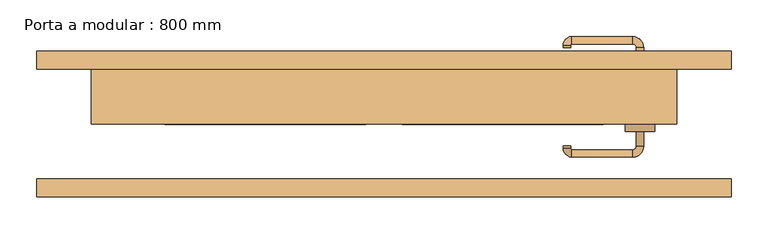
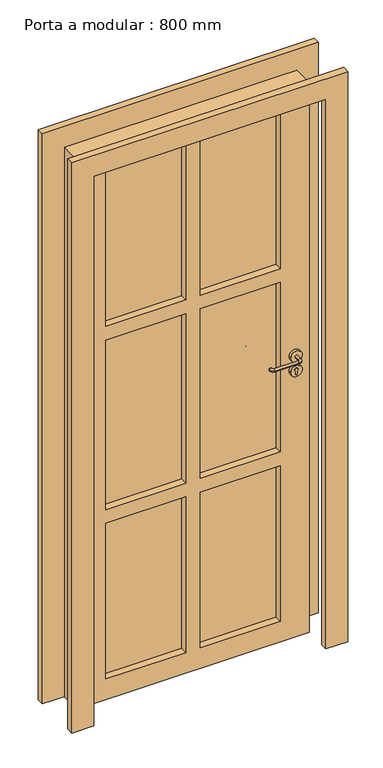
"""IFC4 building model written with IfcOpenShell, lengths in millimetres: door geometry, Porta a modular : 800 mm."""

import ifcopenshell
import ifcopenshell.guid

model = None  # the IFC model being written
_history = None  # IfcOwnerHistory: only IFC2X3 demands one
_inside = {}  # id of a spatial element -> (the spatial element, [elements in it])
_under = {}  # id of a project, library or spatial element -> (it, [spatial elements below it])
_declared = {}  # id of a project -> (the project, [libraries it declares])
_typed = {}  # id of a type object -> (the type object, [elements of that type])
_made_of = {}  # id of a material, layer set ... -> (it, [elements and type objects made of it])


def new_model(schema):
    """Start an empty IFC model of exactly this schema.

    Asked for "IFC4X3", IfcOpenShell would pick the latest addendum, in which some entities
    have other attributes; the version numbers below select the first issue.
    IFC2X3 requires an IfcOwnerHistory on every rooted entity: one is made here for all.
    """
    global model, _history
    if schema == "IFC4X3":
        model = ifcopenshell.file(schema_version=(4, 3, 0, 0))
    else:
        model = ifcopenshell.file(schema=schema)
    _inside.clear()
    _under.clear()
    _declared.clear()
    _typed.clear()
    _made_of.clear()
    _history = None
    if model.schema == "IFC2X3":
        org = make("IfcOrganization", Name="unknown")
        user = make(
            "IfcPersonAndOrganization",
            ThePerson=make("IfcPerson", FamilyName="unknown"),
            TheOrganization=org,
        )
        app = make(
            "IfcApplication",
            ApplicationDeveloper=org,
            Version="unknown",
            ApplicationFullName="unknown",
            ApplicationIdentifier="unknown",
        )
        _history = make(
            "IfcOwnerHistory",
            OwningUser=user,
            OwningApplication=app,
            ChangeAction="ADDED",
            CreationDate=0,
        )
    return model


def make(cls, **values):
    """One entity of the class cls with the attributes given. An attribute that is None is left unset."""
    return model.create_entity(
        cls, **{name: value for name, value in values.items() if value is not None}
    )


def rooted(cls, **values):
    """An entity with a GlobalId (a new one), such as an element, a storey or a relation."""
    return make(cls, GlobalId=ifcopenshell.guid.new(), OwnerHistory=_history, **values)


def si_unit(unit_type, name, prefix=None):
    """IfcSIUnit, for example si_unit("LENGTHUNIT", "METRE", prefix="MILLI")."""
    return make("IfcSIUnit", UnitType=unit_type, Prefix=prefix, Name=name)


def assignment(units):
    """IfcUnitAssignment: the units of a project."""
    return None if units is None else make("IfcUnitAssignment", Units=units)


def point(xyz):
    """IfcCartesianPoint."""
    return None if xyz is None else make("IfcCartesianPoint", Coordinates=xyz)


def direction(xyz):
    """IfcDirection."""
    return None if xyz is None else make("IfcDirection", DirectionRatios=xyz)


def frame(location, z_axis=None, x_axis=None):
    """IfcAxis2Placement3D, a coordinate frame: its origin and axes. An axis left out is left unset."""
    return make(
        "IfcAxis2Placement3D",
        Location=point(location),
        Axis=direction(z_axis),
        RefDirection=direction(x_axis),
    )


def frame_2d(location, x_axis=None):
    """IfcAxis2Placement2D, a coordinate frame in the plane: its origin and x axis."""
    return make(
        "IfcAxis2Placement2D", Location=point(location), RefDirection=direction(x_axis)
    )


def origin():
    """The frame at (0, 0, 0) with its axes left unset."""
    return frame((0.0, 0.0, 0.0))


def origin_with_axes():
    """The frame at (0, 0, 0) with the z axis (0, 0, 1) and the x axis (1, 0, 0) written out."""
    return frame((0.0, 0.0, 0.0), z_axis=(0.0, 0.0, 1.0), x_axis=(1.0, 0.0, 0.0))


def place(relative_to, where):
    """IfcLocalPlacement: puts the frame where relative to a parent placement (None: the world)."""
    return make(
        "IfcLocalPlacement", PlacementRelTo=relative_to, RelativePlacement=where
    )


def context(
    kind, dimensions, precision=None, world=None, true_north=None, identifier=None
):
    """IfcGeometricRepresentationContext, for example the 3D "Model" context."""
    return make(
        "IfcGeometricRepresentationContext",
        ContextIdentifier=identifier,
        ContextType=kind,
        CoordinateSpaceDimension=dimensions,
        Precision=precision,
        WorldCoordinateSystem=world,
        TrueNorth=true_north,
    )


def project(units=None, contexts=None):
    """IfcProject with its units and contexts."""
    return rooted(
        "IfcProject",
        Name="project",
        RepresentationContexts=contexts,
        UnitsInContext=assignment(units),
    )


def spatial(cls, under=None, at=None, **own):
    """A site, building, storey or space (cls), placed at a placement, below another one or the project."""
    s = rooted(cls, ObjectPlacement=at, **own)
    if under is not None:
        _under.setdefault(under.id(), (under, []))[1].append(s)
    return s


def polyline(points):
    """IfcPolyline through the points."""
    return make("IfcPolyline", Points=[point(p) for p in points])


def circle_curve(where, radius):
    """IfcCircle in the frame where."""
    return make("IfcCircle", Position=where, Radius=radius)


def ellipse_curve(where, semi_axis1, semi_axis2):
    """IfcEllipse in the frame where."""
    return make(
        "IfcEllipse", Position=where, SemiAxis1=semi_axis1, SemiAxis2=semi_axis2
    )


def trimmed(basis, trim1, trim2, sense, master):
    """IfcTrimmedCurve: the piece of a basis curve between two trims."""
    return make(
        "IfcTrimmedCurve",
        BasisCurve=basis,
        Trim1=trim1,
        Trim2=trim2,
        SenseAgreement=sense,
        MasterRepresentation=master,
    )


def segment(curve, same_sense, transition):
    """IfcCompositeCurveSegment."""
    return make(
        "IfcCompositeCurveSegment",
        Transition=transition,
        SameSense=same_sense,
        ParentCurve=curve,
    )


def composite_curve(segments, self_intersect=None):
    """IfcCompositeCurve: segments joined end to end."""
    return make("IfcCompositeCurve", Segments=segments, SelfIntersect=self_intersect)


def outline(outer, holes=None, kind="AREA"):
    """IfcArbitraryClosedProfileDef: a profile drawn as a closed curve; with holes, ...WithVoids."""
    if holes is None:
        return make("IfcArbitraryClosedProfileDef", ProfileType=kind, OuterCurve=outer)
    return make(
        "IfcArbitraryProfileDefWithVoids",
        ProfileType=kind,
        OuterCurve=outer,
        InnerCurves=holes,
    )


def extrude(swept, where, along, depth):
    """IfcExtrudedAreaSolid: the profile swept, set in the frame where, extruded along a direction by depth."""
    return make(
        "IfcExtrudedAreaSolid",
        SweptArea=swept,
        Position=where,
        ExtrudedDirection=direction(along),
        Depth=depth,
    )


def shape(context_of_items, identifier, shape_type, items):
    """IfcShapeRepresentation: the items that make up one representation, for example the "Body"."""
    return make(
        "IfcShapeRepresentation",
        ContextOfItems=context_of_items,
        RepresentationIdentifier=identifier,
        RepresentationType=shape_type,
        Items=items,
    )


def source(mapping_origin, context_of_items, identifier, shape_type, items):
    """IfcRepresentationMap: a shape defined once, which mapped items show again and again."""
    return make(
        "IfcRepresentationMap",
        MappingOrigin=mapping_origin,
        MappedRepresentation=shape(context_of_items, identifier, shape_type, items),
    )


def transform(
    local_origin,
    x_axis=None,
    y_axis=None,
    z_axis=None,
    scale=None,
    scale2=None,
    scale3=None,
    uniform=True,
):
    """IfcCartesianTransformationOperator3D, or its non-uniform kind. x_axis, y_axis, z_axis: its Axis1, 2, 3."""
    if uniform:
        return make(
            "IfcCartesianTransformationOperator3D",
            Axis1=direction(x_axis),
            Axis2=direction(y_axis),
            LocalOrigin=point(local_origin),
            Scale=scale,
            Axis3=direction(z_axis),
        )
    return make(
        "IfcCartesianTransformationOperator3DnonUniform",
        Axis1=direction(x_axis),
        Axis2=direction(y_axis),
        LocalOrigin=point(local_origin),
        Scale=scale,
        Axis3=direction(z_axis),
        Scale2=scale2,
        Scale3=scale3,
    )


def mapped(mapping_source, mapping_target):
    """IfcMappedItem: shows the shape of a source again, moved by a transform."""
    return make(
        "IfcMappedItem", MappingSource=mapping_source, MappingTarget=mapping_target
    )


def made_of(thing, what):
    """Note that an element or type object is made of a material, layer set ...; save() writes the relation."""
    if what is not None:
        _made_of.setdefault(what.id(), (what, []))[1].append(thing)
    return thing


def element(
    cls,
    number,
    at=None,
    inside=None,
    cuts=None,
    type_object=None,
    material=None,
    context=None,
    identifier="Body",
    shape_type=None,
    held_by="IfcProductDefinitionShape",
    body=None,
    shapes=None,
    **own,
):
    """One element of the class cls, such as IfcWall. Its Tag is "e" and its number.

    at: its placement. inside: the storey or other place that contains it. cuts: it is an
    opening in that element (IfcRelVoidsElement). A single representation is given by context,
    identifier, shape_type and body (its items); several are given by shapes. held_by: the class
    of the entity that holds the representations. save() writes the other relations.
    """
    e = rooted(cls, Tag="e%d" % number, ObjectPlacement=at, **own)
    if body is not None:
        shapes = [shape(context, identifier, shape_type, body)]
    if shapes is not None:
        e.Representation = make(held_by, Representations=shapes)
    if inside is not None:
        _inside.setdefault(inside.id(), (inside, []))[1].append(e)
    if cuts is not None:
        rooted(
            "IfcRelVoidsElement", RelatingBuildingElement=cuts, RelatedOpeningElement=e
        )
    if type_object is not None:
        _typed.setdefault(type_object.id(), (type_object, []))[1].append(e)
    return made_of(e, material)


def aggregate(whole, parts):
    """IfcRelAggregates: a whole, such as a stair, and the parts it consists of."""
    return rooted("IfcRelAggregates", RelatingObject=whole, RelatedObjects=parts)


def save(model, path):
    """Write the relations noted so far, then the file.

    IfcRelAggregates (storeys below a building ...), IfcRelContainedInSpatialStructure (elements
    in a storey), IfcRelDefinesByType, IfcRelAssociatesMaterial and IfcRelDeclares: one each for
    every whole, place, type object, material and project.
    """
    for whole, parts in _under.values():
        aggregate(whole, parts)
    for where, things in _inside.values():
        rooted(
            "IfcRelContainedInSpatialStructure",
            RelatedElements=things,
            RelatingStructure=where,
        )
    for kind, things in _typed.values():
        rooted("IfcRelDefinesByType", RelatedObjects=things, RelatingType=kind)
    for what, things in _made_of.values():
        rooted("IfcRelAssociatesMaterial", RelatedObjects=things, RelatingMaterial=what)
    for by, libraries in _declared.values():
        rooted("IfcRelDeclares", RelatingContext=by, RelatedDefinitions=libraries)
    model.write(path)


def plane_surface(at):
    """IfcPlane: the flat surface through the origin of the frame at, square to its z axis."""
    return make("IfcPlane", Position=at)


def cylinder_surface(at, radius):
    """IfcCylindricalSurface: all points at the distance radius from the z axis of the frame at."""
    return make("IfcCylindricalSurface", Position=at, Radius=radius)


def revolved_surface(curve, axis_point, axis_direction):
    """IfcSurfaceOfRevolution: the curve turned about the line through axis_point along axis_direction."""
    return make(
        "IfcSurfaceOfRevolution",
        SweptCurve=make("IfcArbitraryOpenProfileDef", ProfileType="CURVE", Curve=curve),
        AxisPosition=make("IfcAxis1Placement", Location=point(axis_point), Axis=direction(axis_direction)),
    )


def advanced_brep(points, edges, surfaces, faces):
    """IfcAdvancedBrep: a solid bounded by faces that lie on surfaces and meet in shared edges.

    An edge is (start, end): straight between two places in points (the first is 0);
    or (start, end, curve); or (start, end, curve, False) where it runs against its curve.
    A face is (place in surfaces, loops), or (place, loops, False) where it looks against
    its surface's normal. A loop lists edges by number (the first is 1), with a minus sign
    where the edge is run from its end to its start. The first loop is the outer one.
    """
    corners = [point(p) for p in points]
    vertices = [make("IfcVertexPoint", VertexGeometry=c) for c in corners]
    made = []
    for start, end, *more in edges:
        made.append(
            make(
                "IfcEdgeCurve",
                EdgeStart=vertices[start],
                EdgeEnd=vertices[end],
                EdgeGeometry=more[0] if more else make("IfcPolyline", Points=[corners[start], corners[end]]),
                SameSense=more[1] if len(more) > 1 else True,
            )
        )
    hull = []
    for where, loops, *sense in faces:
        bounds = []
        for j, loop in enumerate(loops):
            ring = [make("IfcOrientedEdge", EdgeElement=made[abs(k) - 1], Orientation=k > 0) for k in loop]
            bounds.append(
                make(
                    "IfcFaceOuterBound" if j == 0 else "IfcFaceBound",
                    Bound=make("IfcEdgeLoop", EdgeList=ring),
                    Orientation=True,
                )
            )
        hull.append(make("IfcAdvancedFace", Bounds=bounds, FaceSurface=surfaces[where], SameSense=sense[0] if sense else True))
    return make("IfcAdvancedBrep", Outer=make("IfcClosedShell", CfsFaces=hull))


def porta_a_modular_800_mm_48b54fc1(model_context):
    return source(origin(), model_context, "Body", "SolidModel", [
        extrude(outline(composite_curve([segment(polyline([(962.8763376, 352.3084346), (974.135018, 352.3084346)]), True, "CONTINUOUS"), segment(trimmed(circle_curve(frame_2d((979.4570568, 350.0)), 5.8011178), [point((974.135018, 352.3084346))], [point((974.135018, 347.6915654))], False, "CARTESIAN"), True, "CONTINUOUS"), segment(polyline([(974.135018, 347.6915654), (962.8763376, 347.6915654)]), True, "CONTINUOUS"), segment(trimmed(circle_curve(frame_2d((962.8763376, 350.0056608)), 2.3140954), [point((962.8763376, 347.6915654))], [point((960.5622491, 350.0))], False, "CARTESIAN"), True, "CONTINUOUS"), segment(trimmed(circle_curve(frame_2d((962.8763376, 349.9943392)), 2.3140954), [point((960.5622491, 350.0))], [point((962.8763376, 352.3084346))], False, "CARTESIAN"), True, "CONTINUOUS")], self_intersect=False)), frame((0.0, -10.0, 0.0), z_axis=(0.0, 1.0, 0.0), x_axis=(0.0, 0.0, 1.0)), (0.0, 0.0, 1.0), 5.0),
        extrude(outline(composite_curve([segment(trimmed(circle_curve(frame_2d((974.8079154, 350.0)), 20.0), [point((974.8079154, 370.0))], [point((974.8079154, 330.0))], False, "CARTESIAN"), True, "CONTINUOUS"), segment(trimmed(circle_curve(frame_2d((974.8079154, 350.0)), 20.0), [point((974.8079154, 330.0))], [point((974.8079154, 370.0))], False, "CARTESIAN"), True, "CONTINUOUS")], self_intersect=False)), frame((0.0, -10.0, 0.0), z_axis=(0.0, 1.0, 0.0), x_axis=(0.0, 0.0, 1.0)), (0.0, 0.0, 1.0), 10.0),
        advanced_brep(
        [(355.0, -5.0, 1027.5), (345.0, -5.0, 1027.5), (355.0, -30.0, 1027.5), (345.0, -30.0, 1027.5), (340.0, -45.0, 1027.5), (340.0, -35.0, 1027.5), (245.0, -30.0, 1027.5), (255.0, -30.0, 1027.5), (257.0175282, -45.0, 1027.5), (257.0175282, -35.0, 1027.5), (245.0, -32.9824718, 1027.5), (255.0, -32.9824718, 1027.5)],
        [
            (0, 1, circle_curve(frame((350.0, -5.0, 1027.5), z_axis=(0.0, 1.0, 0.0), x_axis=(-1.0000000000000004, 0.0, 0.0)), 5.0)),
            (1, 0, circle_curve(frame((350.0, -5.0, 1027.5), z_axis=(0.0, 1.0, 0.0), x_axis=(-1.0000000000000004, 0.0, 0.0)), 5.0)),
            (0, 2),
            (2, 3, circle_curve(frame((350.0, -30.0, 1027.5), z_axis=(0.0, 1.0, 0.0), x_axis=(-1.0000000000000004, 0.0, 0.0)), 5.0)),
            (3, 1),
            (3, 2, circle_curve(frame((350.0, -30.0, 1027.5), z_axis=(0.0, 1.0, 0.0), x_axis=(-1.0000000000000004, 0.0, 0.0)), 5.0)),
            (4, 5, circle_curve(frame((340.0, -40.0, 1027.5), z_axis=(1.0000000000000004, 0.0, 0.0), x_axis=(0.0, 1.0000000000000004, 0.0)), 5.0)),
            (5, 3, circle_curve(frame((340.0, -30.0, 1027.5), z_axis=(0.0, 0.0, 1.0), x_axis=(1.0000000000000004, 0.0, 0.0)), 5.0)),
            (2, 4, circle_curve(frame((340.0, -30.0, 1027.5), z_axis=(0.0, 0.0, -1.0), x_axis=(1.0000000000000004, 0.0, 0.0)), 15.0)),
            (5, 4, circle_curve(frame((340.0, -40.0, 1027.5), z_axis=(1.0000000000000004, 0.0, 0.0), x_axis=(0.0, 1.0000000000000004, 0.0)), 5.0)),
            (6, 7, circle_curve(frame((250.0, -30.0, 1027.5), z_axis=(0.0, 1.0, 0.0), x_axis=(1.0000000000000004, 0.0, 0.0)), 5.0)),
            (7, 6, circle_curve(frame((250.0, -30.0, 1027.5), z_axis=(0.0, 1.0, 0.0), x_axis=(1.0000000000000004, 0.0, 0.0)), 5.0)),
            (4, 8),
            (8, 9, circle_curve(frame((257.0175282, -40.0, 1027.5), z_axis=(1.0, 0.0, 0.0), x_axis=(0.0, 1.0000000000000004, 0.0)), 5.0)),
            (9, 5),
            (9, 8, circle_curve(frame((257.0175282, -40.0, 1027.5), z_axis=(1.0, 0.0, 0.0), x_axis=(0.0, 1.0000000000000004, 0.0)), 5.0)),
            (10, 11, circle_curve(frame((250.0, -32.9824718, 1027.5), z_axis=(0.0, -1.0000000000000004, 0.0), x_axis=(1.0000000000000004, 0.0, 0.0)), 5.0)),
            (11, 9, circle_curve(frame((257.0175282, -32.9824718, 1027.5), z_axis=(0.0, 0.0, 1.0), x_axis=(0.0, -1.0000000000000004, 0.0)), 2.0175282)),
            (8, 10, circle_curve(frame((257.0175282, -32.9824718, 1027.5), z_axis=(0.0, 0.0, -1.0), x_axis=(0.0, -1.0000000000000004, 0.0)), 12.0175282)),
            (11, 10, circle_curve(frame((250.0, -32.9824718, 1027.5), z_axis=(0.0, -1.0000000000000004, 0.0), x_axis=(1.0000000000000004, 0.0, 0.0)), 5.0)),
            (10, 6),
            (7, 11),
        ],
        [
            plane_surface(frame((350.0, -5.0, 127.5), z_axis=(0.0, 1.0, 0.0), x_axis=(0.0, 0.0, 1.0))),
            cylinder_surface(frame((350.0, -5.0, 1027.5), z_axis=(0.0, 1.0000000000000004, 0.0), x_axis=(-1.0000000000000004, 0.0, 0.0)), 5.0),
            revolved_surface(trimmed(ellipse_curve(frame((350.0, -30.0, 1027.5), z_axis=(0.0, -1.0000000000000004, 0.0), x_axis=(-1.0000000000000004, 0.0, 0.0)), 5.0, 5.0), [point((345.0, -30.0, 1027.5))], [point((355.0, -30.0, 1027.5))], True, "CARTESIAN"), (340.0, -30.0, 127.5), (0.0, 0.0, 1.0)),
            revolved_surface(trimmed(ellipse_curve(frame((350.0, -30.0, 1027.5), z_axis=(0.0, -1.0000000000000004, 0.0), x_axis=(-1.0000000000000004, 0.0, 0.0)), 5.0, 5.0), [point((355.0, -30.0, 1027.5))], [point((345.0, -30.0, 1027.5))], True, "CARTESIAN"), (340.0, -30.0, 127.5), (0.0, 0.0, 1.0)),
            plane_surface(frame((250.0, -30.0, 127.5), z_axis=(0.0, 1.0, 0.0), x_axis=(0.0, 0.0, 1.0))),
            cylinder_surface(frame((340.0, -40.0, 1027.5), z_axis=(1.0000000000000004, 0.0, 0.0), x_axis=(0.0, 1.0000000000000004, 0.0)), 5.0),
            revolved_surface(trimmed(ellipse_curve(frame((257.0175282, -40.0, 1027.5), z_axis=(-1.0000000000000004, 0.0, 0.0), x_axis=(0.0, 1.0000000000000004, 0.0)), 5.0, 5.0), [point((257.0175282, -35.0, 1027.5))], [point((257.0175282, -45.0, 1027.5))], True, "CARTESIAN"), (257.0175282, -32.9824718, 127.5), (0.0, 0.0, 1.0)),
            revolved_surface(trimmed(ellipse_curve(frame((257.0175282, -40.0, 1027.5), z_axis=(-1.0000000000000004, 0.0, 0.0), x_axis=(0.0, 1.0000000000000004, 0.0)), 5.0, 5.0), [point((257.0175282, -45.0, 1027.5))], [point((257.0175282, -35.0, 1027.5))], True, "CARTESIAN"), (257.0175282, -32.9824718, 127.5), (0.0, 0.0, 1.0)),
            cylinder_surface(frame((250.0, -32.9824718, 1027.5), z_axis=(0.0, -1.0000000000000004, 0.0), x_axis=(1.0000000000000004, 0.0, 0.0)), 5.0),
        ],
        [
            (0, [[1, 2]]),
            (1, [[3, 4, 5, -1]]),
            (1, [[-5, 6, -3, -2]]),
            (2, [[7, 8, -4, 9]]),
            (3, [[10, -9, -6, -8]]),
            (4, [[11, 12]]),
            (5, [[13, 14, 15, -7]]),
            (5, [[-15, 16, -13, -10]]),
            (6, [[17, 18, -14, 19]]),
            (7, [[20, -19, -16, -18]]),
            (8, [[21, -12, 22, -17]]),
            (8, [[-22, -11, -21, -20]]),
        ],
    ),
        extrude(outline(composite_curve([segment(trimmed(circle_curve(frame_2d((1027.5, 350.0)), 20.0), [point((1027.5, 370.0))], [point((1027.5, 330.0))], False, "CARTESIAN"), True, "CONTINUOUS"), segment(trimmed(circle_curve(frame_2d((1027.5, 350.0)), 20.0), [point((1027.5, 330.0))], [point((1027.5, 370.0))], False, "CARTESIAN"), True, "CONTINUOUS")], self_intersect=False)), frame((0.0, -10.0, 0.0), z_axis=(0.0, 1.0, 0.0), x_axis=(0.0, 0.0, 1.0)), (0.0, 0.0, 1.0), 10.0),
        extrude(outline(composite_curve([segment(polyline([(962.8763376, 352.3084346), (974.135018, 352.3084346)]), True, "CONTINUOUS"), segment(trimmed(circle_curve(frame_2d((979.4570568, 350.0)), 5.8011178), [point((974.135018, 352.3084346))], [point((974.135018, 347.6915654))], False, "CARTESIAN"), True, "CONTINUOUS"), segment(polyline([(974.135018, 347.6915654), (962.8763376, 347.6915654)]), True, "CONTINUOUS"), segment(trimmed(circle_curve(frame_2d((962.8763376, 350.0056608)), 2.3140954), [point((962.8763376, 347.6915654))], [point((960.5622491, 350.0))], False, "CARTESIAN"), True, "CONTINUOUS"), segment(trimmed(circle_curve(frame_2d((962.8763376, 349.9943392)), 2.3140954), [point((960.5622491, 350.0))], [point((962.8763376, 352.3084346))], False, "CARTESIAN"), True, "CONTINUOUS")], self_intersect=False)), frame((0.0, 80.0, 0.0), z_axis=(0.0, 1.0, 0.0), x_axis=(0.0, 0.0, 1.0)), (0.0, 0.0, 1.0), 5.0),
        extrude(outline(composite_curve([segment(trimmed(circle_curve(frame_2d((974.8079154, 350.0)), 20.0), [point((974.8079154, 370.0))], [point((974.8079154, 330.0))], False, "CARTESIAN"), True, "CONTINUOUS"), segment(trimmed(circle_curve(frame_2d((974.8079154, 350.0)), 20.0), [point((974.8079154, 330.0))], [point((974.8079154, 370.0))], False, "CARTESIAN"), True, "CONTINUOUS")], self_intersect=False)), frame((0.0, 75.0, 0.0), z_axis=(0.0, 1.0, 0.0), x_axis=(0.0, 0.0, 1.0)), (0.0, 0.0, 1.0), 10.0),
        advanced_brep(
        [(355.0, 80.0, 1027.5), (345.0, 80.0, 1027.5), (345.0, 105.0, 1027.5), (355.0, 105.0, 1027.5), (340.0, 120.0, 1027.5), (340.0, 110.0, 1027.5), (245.0, 105.0, 1027.5), (255.0, 105.0, 1027.5), (257.0175282, 110.0, 1027.5), (257.0175282, 120.0, 1027.5), (245.0, 107.9824718, 1027.5), (255.0, 107.9824718, 1027.5)],
        [
            (0, 1, circle_curve(frame((350.0, 80.0, 1027.5), z_axis=(0.0, -1.0, 0.0), x_axis=(-1.0000000000000004, 0.0, 0.0)), 5.0)),
            (1, 0, circle_curve(frame((350.0, 80.0, 1027.5), z_axis=(0.0, -1.0, 0.0), x_axis=(-1.0000000000000004, 0.0, 0.0)), 5.0)),
            (1, 2),
            (2, 3, circle_curve(frame((350.0, 105.0, 1027.5), z_axis=(0.0, -1.0, 0.0), x_axis=(-1.0000000000000004, 0.0, 0.0)), 5.0)),
            (3, 0),
            (3, 2, circle_curve(frame((350.0, 105.0, 1027.5), z_axis=(0.0, -1.0, 0.0), x_axis=(-1.0000000000000004, 0.0, 0.0)), 5.0)),
            (4, 3, circle_curve(frame((340.0, 105.0, 1027.5), z_axis=(0.0, 0.0, -1.0), x_axis=(1.0000000000000004, 0.0, 0.0)), 15.0)),
            (2, 5, circle_curve(frame((340.0, 105.0, 1027.5), z_axis=(0.0, 0.0, 1.0), x_axis=(1.0000000000000004, 0.0, 0.0)), 5.0)),
            (5, 4, circle_curve(frame((340.0, 115.0, 1027.5), z_axis=(1.0000000000000004, 0.0, 0.0), x_axis=(0.0, -1.0000000000000004, 0.0)), 5.0)),
            (4, 5, circle_curve(frame((340.0, 115.0, 1027.5), z_axis=(1.0000000000000004, 0.0, 0.0), x_axis=(0.0, -1.0000000000000004, 0.0)), 5.0)),
            (6, 7, circle_curve(frame((250.0, 105.0, 1027.5), z_axis=(0.0, -1.0, 0.0), x_axis=(1.0000000000000004, 0.0, 0.0)), 5.0)),
            (7, 6, circle_curve(frame((250.0, 105.0, 1027.5), z_axis=(0.0, -1.0, 0.0), x_axis=(1.0000000000000004, 0.0, 0.0)), 5.0)),
            (5, 8),
            (8, 9, circle_curve(frame((257.0175282, 115.0, 1027.5), z_axis=(1.0, 0.0, 0.0), x_axis=(0.0, -1.0000000000000004, 0.0)), 5.0)),
            (9, 4),
            (9, 8, circle_curve(frame((257.0175282, 115.0, 1027.5), z_axis=(1.0, 0.0, 0.0), x_axis=(0.0, -1.0000000000000004, 0.0)), 5.0)),
            (10, 9, circle_curve(frame((257.0175282, 107.9824718, 1027.5), z_axis=(0.0, 0.0, -1.0), x_axis=(0.0, 1.0000000000000004, 0.0)), 12.0175282)),
            (8, 11, circle_curve(frame((257.0175282, 107.9824718, 1027.5), z_axis=(0.0, 0.0, 1.0), x_axis=(0.0, 1.0000000000000004, 0.0)), 2.0175282)),
            (11, 10, circle_curve(frame((250.0, 107.9824718, 1027.5), z_axis=(0.0, 1.0000000000000004, 0.0), x_axis=(1.0000000000000004, 0.0, 0.0)), 5.0)),
            (10, 11, circle_curve(frame((250.0, 107.9824718, 1027.5), z_axis=(0.0, 1.0000000000000004, 0.0), x_axis=(1.0000000000000004, 0.0, 0.0)), 5.0)),
            (11, 7),
            (6, 10),
        ],
        [
            plane_surface(frame((350.0, 80.0, 127.5), z_axis=(0.0, -1.0, 0.0), x_axis=(0.0, 0.0, 1.0))),
            cylinder_surface(frame((350.0, 80.0, 1027.5), z_axis=(0.0, -1.0000000000000004, 0.0), x_axis=(-1.0000000000000004, 0.0, 0.0)), 5.0),
            revolved_surface(trimmed(ellipse_curve(frame((350.0, 105.0, 1027.5), z_axis=(0.0, -1.0000000000000004, 0.0), x_axis=(-1.0000000000000004, 0.0, 0.0)), 5.0, 5.0), [point((345.0, 105.0, 1027.5))], [point((355.0, 105.0, 1027.5))], True, "CARTESIAN"), (340.0, 105.0, 127.5), (0.0, 0.0, 1.0)),
            revolved_surface(trimmed(ellipse_curve(frame((350.0, 105.0, 1027.5), z_axis=(0.0, -1.0000000000000004, 0.0), x_axis=(-1.0000000000000004, 0.0, 0.0)), 5.0, 5.0), [point((355.0, 105.0, 1027.5))], [point((345.0, 105.0, 1027.5))], True, "CARTESIAN"), (340.0, 105.0, 127.5), (0.0, 0.0, 1.0)),
            plane_surface(frame((250.0, 105.0, 127.5), z_axis=(0.0, -1.0, 0.0), x_axis=(0.0, 0.0, 1.0))),
            cylinder_surface(frame((340.0, 115.0, 1027.5), z_axis=(1.0000000000000004, 0.0, 0.0), x_axis=(0.0, -1.0000000000000004, 0.0)), 5.0),
            revolved_surface(trimmed(ellipse_curve(frame((257.0175282, 115.0, 1027.5), z_axis=(1.0000000000000004, 0.0, 0.0), x_axis=(0.0, -1.0000000000000004, 0.0)), 5.0, 5.0), [point((257.0175282, 110.0, 1027.5))], [point((257.0175282, 120.0, 1027.5))], True, "CARTESIAN"), (257.0175282, 107.9824718, 127.5), (0.0, 0.0, 1.0)),
            revolved_surface(trimmed(ellipse_curve(frame((257.0175282, 115.0, 1027.5), z_axis=(1.0000000000000004, 0.0, 0.0), x_axis=(0.0, -1.0000000000000004, 0.0)), 5.0, 5.0), [point((257.0175282, 120.0, 1027.5))], [point((257.0175282, 110.0, 1027.5))], True, "CARTESIAN"), (257.0175282, 107.9824718, 127.5), (0.0, 0.0, 1.0)),
            cylinder_surface(frame((250.0, 107.9824718, 1027.5), z_axis=(0.0, 1.0000000000000004, 0.0), x_axis=(1.0000000000000004, 0.0, 0.0)), 5.0),
        ],
        [
            (0, [[1, 2]]),
            (1, [[-2, 3, 4, 5]]),
            (1, [[-1, -5, 6, -3]]),
            (2, [[7, -4, 8, 9]]),
            (3, [[-8, -6, -7, 10]]),
            (4, [[11, 12]]),
            (5, [[-9, 13, 14, 15]]),
            (5, [[-10, -15, 16, -13]]),
            (6, [[17, -14, 18, 19]]),
            (7, [[-18, -16, -17, 20]]),
            (8, [[-19, 21, -11, 22]]),
            (8, [[-20, -22, -12, -21]]),
        ],
    ),
        extrude(outline(composite_curve([segment(trimmed(circle_curve(frame_2d((1027.5, 350.0)), 20.0), [point((1027.5, 370.0))], [point((1027.5, 330.0))], False, "CARTESIAN"), True, "CONTINUOUS"), segment(trimmed(circle_curve(frame_2d((1027.5, 350.0)), 20.0), [point((1027.5, 330.0))], [point((1027.5, 370.0))], False, "CARTESIAN"), True, "CONTINUOUS")], self_intersect=False)), frame((0.0, 75.0, 0.0), z_axis=(0.0, 1.0, 0.0), x_axis=(0.0, 0.0, 1.0)), (0.0, 0.0, 1.0), 10.0),
        extrude(outline(polyline([(2000.0, -400.0), (2000.0, 400.0), (0.0, 400.0), (0.0, 475.0), (2075.0, 475.0), (2075.0, -475.0), (0.0, -475.0), (0.0, -400.0), (2000.0, -400.0)])), frame((0.0, 75.0, 0.0), z_axis=(0.0, 1.0, 0.0), x_axis=(0.0, 0.0, 1.0)), (0.0, 0.0, 1.0), 25.0),
        extrude(outline(polyline([(2075.0, -475.0), (0.0, -475.0), (0.0, -400.0), (2000.0, -400.0), (2000.0, 400.0), (0.0, 400.0), (0.0, 475.0), (2075.0, 475.0), (2075.0, -475.0)])), frame((0.0, -100.0, 0.0), z_axis=(0.0, 1.0, 0.0), x_axis=(0.0, 0.0, 1.0)), (0.0, 0.0, 1.0), 25.0),
        extrude(outline(polyline([(-300.0, 50.0), (-25.0, 50.0), (-25.0, 25.0), (-300.0, 25.0), (-300.0, 50.0)])), frame((0.0, 0.0, 691.7), z_axis=(0.0, 0.0, 1.0), x_axis=(1.0, 0.0, 0.0)), (0.0, 0.0, 1.0), 616.7),
        extrude(outline(polyline([(300.0, 50.0), (300.0, 25.0), (25.0, 25.0), (25.0, 50.0), (300.0, 50.0)])), frame((0.0, 0.0, 691.7), z_axis=(0.0, 0.0, 1.0), x_axis=(1.0, 0.0, 0.0)), (0.0, 0.0, 1.0), 616.7),
        extrude(outline(polyline([(2000.0, 400.0), (2000.0, -400.0), (0.0, -400.0), (0.0, 400.0), (2000.0, 400.0)]), holes=[polyline([(641.7, 25.0), (641.7, 300.0), (75.0, 300.0), (75.0, 25.0), (641.7, 25.0)]), polyline([(641.7, -300.0), (641.7, -25.0), (75.0, -25.0), (75.0, -300.0), (641.7, -300.0)]), polyline([(1308.4, 25.0), (1308.4, 300.0), (691.7, 300.0), (691.7, 25.0), (1308.4, 25.0)]), polyline([(1925.0333333, 25.0), (1925.0333333, 300.0), (1358.3333333, 300.0), (1358.3333333, 25.0), (1925.0333333, 25.0)]), polyline([(1925.0333333, -300.0), (1925.0333333, -25.0), (1358.3333333, -25.0), (1358.3333333, -300.0), (1925.0333333, -300.0)]), polyline([(1308.4, -300.0), (1308.4, -25.0), (691.7, -25.0), (691.7, -300.0), (1308.4, -300.0)])]), frame((0.0, 0.0, 0.0), z_axis=(0.0, 1.0, 0.0), x_axis=(0.0, 0.0, 1.0)), (0.0, 0.0, 1.0), 75.0),
        extrude(outline(polyline([(-300.0, 50.0), (-25.0, 50.0), (-25.0, 25.0), (-300.0, 25.0), (-300.0, 50.0)])), frame((0.0, 0.0, 1358.3333333), z_axis=(0.0, 0.0, 1.0), x_axis=(1.0, 0.0, 0.0)), (0.0, 0.0, 1.0), 566.7),
        extrude(outline(polyline([(300.0, 50.0), (300.0, 25.0), (25.0, 25.0), (25.0, 50.0), (300.0, 50.0)])), frame((0.0, 0.0, 1358.3333333), z_axis=(0.0, 0.0, 1.0), x_axis=(1.0, 0.0, 0.0)), (0.0, 0.0, 1.0), 566.7),
        extrude(outline(polyline([(300.0, 50.0), (300.0, 25.0), (25.0, 25.0), (25.0, 50.0), (300.0, 50.0)])), frame((0.0, 0.0, 50.0), z_axis=(0.0, 0.0, 1.0), x_axis=(1.0, 0.0, 0.0)), (0.0, 0.0, 1.0), 604.2),
        extrude(outline(polyline([(-300.0, 50.0), (-25.0, 50.0), (-25.0, 25.0), (-300.0, 25.0), (-300.0, 50.0)])), origin_with_axes(), (0.0, 0.0, 1.0), 641.7),
    ])


if __name__ == "__main__":
    model = new_model("IFC4")
    model_context = context("Model", 3, world=origin())
    ifc_project = project(units=[si_unit("LENGTHUNIT", "METRE", prefix="MILLI")], contexts=[model_context])
    site = spatial("IfcSite", under=ifc_project)
    building = spatial("IfcBuilding", under=site)
    placement = place(None, origin())
    porta_a_modular_800_mm_shape = porta_a_modular_800_mm_48b54fc1(model_context)
    element("IfcDoor", 1, ObjectType="Porta a modular : 800 mm", at=placement, inside=building, context=model_context, shape_type="MappedRepresentation", body=[
        mapped(porta_a_modular_800_mm_shape, transform((0.0, 0.0, 0.0), x_axis=(1.0, 0.0, 0.0), y_axis=(0.0, 1.0, 0.0), z_axis=(0.0, 0.0, 1.0))),
    ])
    save(model, "model.ifc")
